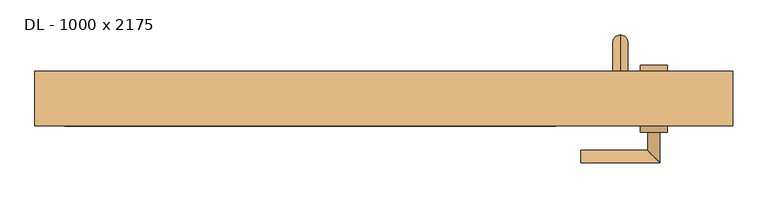
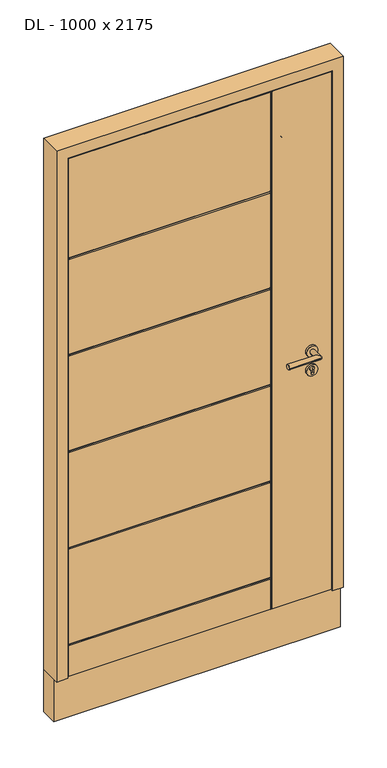
"""IFC4 building model written with IfcOpenShell, lengths in millimetres: door geometry, DL - 1000 x 2175."""

from ifc_helpers import new_model, si_unit, point, frame, frame_2d, origin, place, context, project, spatial, polyline, circle_curve, ellipse_curve, trimmed, segment, composite_curve, outline, extrude, faceted_brep, source, transform, mapped, element, save
from ifc_brep_helpers import plane_surface, cylinder_surface, revolved_surface, advanced_brep


def dl_1000_x_2175_ed54f483(model_context):
    return source(origin(), model_context, "Body", "SolidModel", [
        advanced_brep(
        [(390.0, 200.0, 1875.0), (390.0, 200.0, 1900.0), (390.0, 200.0, 225.0), (390.0, 200.0, 200.0), (390.0, 235.0, 225.0), (390.0, 260.0, 200.0), (390.0, 260.0, 1900.0), (390.0, 235.0, 1875.0)],
        [
            (0, 1, circle_curve(frame((390.0, 200.0, 1887.5), z_axis=(0.0, -1.0, 0.0), x_axis=(0.0, 0.0, 1.0)), 12.5)),
            (1, 0, circle_curve(frame((390.0, 200.0, 1887.5), z_axis=(0.0, -1.0, 0.0), x_axis=(0.0, 0.0, 1.0)), 12.5)),
            (2, 3, circle_curve(frame((390.0, 200.0, 212.5), z_axis=(0.0, -1.0, 0.0), x_axis=(0.0, 0.0, -1.0)), 12.5)),
            (3, 2, circle_curve(frame((390.0, 200.0, 212.5), z_axis=(0.0, -1.0, 0.0), x_axis=(0.0, 0.0, -1.0)), 12.5)),
            (4, 2),
            (3, 5),
            (5, 4, ellipse_curve(frame((390.0, 247.5, 212.5), z_axis=(0.0, -0.7071067811865475, -0.7071067811865475), x_axis=(0.0, 0.7071067811865476, -0.7071067811865474)), 17.6776695, 12.5)),
            (4, 5, ellipse_curve(frame((390.0, 247.5, 212.5), z_axis=(0.0, -0.7071067811865475, -0.7071067811865475), x_axis=(0.0, 0.7071067811865476, -0.7071067811865474)), 17.6776695, 12.5)),
            (6, 5),
            (4, 7),
            (7, 6, ellipse_curve(frame((390.0, 247.5, 1887.5), z_axis=(0.0, 0.7071067811865475, -0.7071067811865475), x_axis=(0.0, 0.7071067811865474, 0.7071067811865476)), 17.6776695, 12.5)),
            (6, 7, ellipse_curve(frame((390.0, 247.5, 1887.5), z_axis=(0.0, 0.7071067811865475, -0.7071067811865475), x_axis=(0.0, 0.7071067811865474, 0.7071067811865476)), 17.6776695, 12.5)),
            (1, 6),
            (7, 0),
        ],
        [
            plane_surface(frame((390.0, 200.0, 1900.0), z_axis=(0.0, -1.0, 0.0), x_axis=(-1.0, 0.0, 0.0))),
            plane_surface(frame((390.0, 200.0, 200.0), z_axis=(0.0, -1.0, 0.0), x_axis=(-1.0, 0.0, 0.0))),
            cylinder_surface(frame((390.0, 260.0, 212.5), z_axis=(0.0, 1.0, 0.0), x_axis=(0.0, 0.0, -1.0)), 12.5),
            cylinder_surface(frame((390.0, 247.5, 1900.0), z_axis=(0.0, 0.0, 1.0), x_axis=(0.0, 1.0, 0.0)), 12.5),
            cylinder_surface(frame((390.0, 200.0, 1887.5), z_axis=(0.0, -1.0, 0.0), x_axis=(0.0, 0.0, 1.0)), 12.5),
        ],
        [
            (0, [[1, 2]]),
            (1, [[3, 4]]),
            (2, [[5, -4, 6, 7]]),
            (2, [[-6, -3, -5, 8]]),
            (3, [[9, -8, 10, 11]]),
            (3, [[-10, -7, -9, 12]]),
            (4, [[13, -11, 14, -2]]),
            (4, [[-14, -12, -13, -1]]),
        ],
    ),
        advanced_brep(
        [(467.5, 200.0, 970.0), (422.5, 200.0, 970.0), (467.5, 210.0, 970.0), (422.5, 210.0, 970.0), (450.0, 210.0, 958.5), (450.0, 210.0, 971.1261365), (440.0, 210.0, 971.1261365), (440.0, 210.0, 958.5), (450.0, 202.0, 958.5), (450.0, 202.0, 971.1261365), (440.0, 202.0, 971.1261365), (440.0, 202.0, 958.5)],
        [
            (0, 1, circle_curve(frame((445.0, 200.0, 970.0), z_axis=(0.0, -1.0, 0.0), x_axis=(-1.0, 0.0, 0.0)), 22.5)),
            (1, 0, circle_curve(frame((445.0, 200.0, 970.0), z_axis=(0.0, -1.0, 0.0), x_axis=(-1.0, 0.0, 0.0)), 22.5)),
            (2, 3, circle_curve(frame((445.0, 210.0, 970.0), z_axis=(0.0, 1.0, 0.0), x_axis=(-1.0, 0.0, 0.0)), 22.5)),
            (3, 2, circle_curve(frame((445.0, 210.0, 970.0), z_axis=(0.0, 1.0, 0.0), x_axis=(-1.0, 0.0, 0.0)), 22.5)),
            (4, 5),
            (5, 6, circle_curve(frame((445.0, 210.0, 978.0), z_axis=(0.0, -1.0, 0.0), x_axis=(-1.0, 0.0, 0.0)), 8.5)),
            (6, 7),
            (7, 4, circle_curve(frame((445.0, 210.0, 958.5), z_axis=(0.0, -1.0, 0.0), x_axis=(-1.0, 0.0, 0.0)), 5.0)),
            (1, 3),
            (2, 0),
            (4, 8),
            (8, 9),
            (9, 5),
            (9, 10, circle_curve(frame((445.0, 202.0, 978.0), z_axis=(0.0, -1.0, 0.0), x_axis=(-1.0, 0.0, 0.0)), 8.5)),
            (10, 6),
            (10, 11),
            (11, 7),
            (11, 8, circle_curve(frame((445.0, 202.0, 958.5), z_axis=(0.0, -1.0, 0.0), x_axis=(-1.0, 0.0, 0.0)), 5.0)),
        ],
        [
            plane_surface(frame((422.5, 200.0, 970.0), z_axis=(0.0, -1.0, 0.0), x_axis=(0.0, 0.0, 1.0))),
            plane_surface(frame((422.5, 210.0, 970.0), z_axis=(0.0, 1.0, 0.0), x_axis=(0.0, 0.0, -1.0))),
            cylinder_surface(frame((445.0, 210.0, 970.0), z_axis=(0.0, -1.0, 0.0), x_axis=(-1.0, 0.0, 0.0)), 22.5),
            plane_surface(frame((450.0, 200.0, 958.5), z_axis=(-1.0, 0.0, 0.0), x_axis=(0.0, 1.0, 0.0))),
            revolved_surface(polyline([(436.5, 210.0, 978.0), (436.5, 202.0, 978.0)]), (445.0, 200.0, 978.0), (0.0, 1.0, 0.0)),
            plane_surface(frame((440.0, 200.0, 971.1261365), z_axis=(1.0, 0.0, 0.0), x_axis=(0.0, 1.0, 0.0))),
            revolved_surface(polyline([(440.0, 210.0, 958.5), (440.0, 202.0, 958.5)]), (445.0, 200.0, 958.5), (0.0, 1.0, 0.0)),
            plane_surface(frame((436.5, 202.0, 978.0), z_axis=(0.0, 1.0, 0.0), x_axis=(0.0, 0.0, -1.0))),
        ],
        [
            (0, [[1, 2]]),
            (1, [[3, 4], [5, 6, 7, 8]]),
            (2, [[9, -3, 10, -2]]),
            (2, [[-10, -4, -9, -1]]),
            (3, [[11, 12, 13, -5]]),
            (4, [[-13, 14, 15, -6]]),
            (5, [[-15, 16, 17, -7]]),
            (6, [[-17, 18, -11, -8]]),
            (7, [[-18, -16, -14, -12]]),
        ],
    ),
        advanced_brep(
        [(-526.0, 110.0, 8.0), (282.0, 110.0, 8.0), (282.0, 110.0, 136.0), (-526.0, 110.0, 136.0), (-526.0, 110.0, 144.0), (282.0, 110.0, 144.0), (282.0, 110.0, 545.2), (-526.0, 110.0, 545.2), (282.0, 110.0, 553.2), (282.0, 110.0, 954.4), (-526.0, 110.0, 954.4), (-526.0, 110.0, 553.2), (282.0, 110.0, 962.4), (282.0, 110.0, 1363.6), (-526.0, 110.0, 1363.6), (-526.0, 110.0, 962.4), (282.0, 110.0, 1371.6), (282.0, 110.0, 1772.8), (-526.0, 110.0, 1772.8), (-526.0, 110.0, 1371.6), (-526.0, 110.0, 2201.0), (-526.0, 110.0, 1780.8), (282.0, 110.0, 1780.8), (282.0, 110.0, 2201.0), (526.0, 110.0, 2201.0), (290.0, 110.0, 2201.0), (290.0, 110.0, 8.0), (526.0, 110.0, 8.0), (526.0, 130.0, 8.0), (526.0, 130.0, 2201.0), (-526.0, 130.0, 8.0), (-526.0, 130.0, 2201.0), (-511.0, 130.0, 2186.0), (-511.0, 130.0, 20.0), (511.0, 130.0, 20.0), (511.0, 130.0, 2186.0), (511.0, 180.0, 20.0), (511.0, 180.0, 2186.0), (-511.0, 180.0, 20.0), (-511.0, 180.0, 2186.0), (-496.0, 180.0, 2171.0), (-496.0, 180.0, 140.0), (496.0, 180.0, 140.0), (496.0, 180.0, 2171.0), (496.0, 200.0, 140.0), (496.0, 200.0, 2171.0), (-496.0, 200.0, 553.2), (-496.0, 200.0, 954.4), (282.0, 200.0, 954.4), (282.0, 200.0, 553.2), (-496.0, 200.0, 962.4), (-496.0, 200.0, 1363.6), (282.0, 200.0, 1363.6), (282.0, 200.0, 962.4), (-496.0, 200.0, 1371.6), (-496.0, 200.0, 1772.8), (282.0, 200.0, 1772.8), (282.0, 200.0, 1371.6), (290.0, 200.0, 140.0), (290.0, 200.0, 2171.0), (-496.0, 200.0, 545.2), (282.0, 200.0, 545.2), (282.0, 200.0, 140.0), (-496.0, 200.0, 140.0), (282.0, 200.0, 2171.0), (282.0, 200.0, 1780.8), (-496.0, 200.0, 1780.8), (-496.0, 200.0, 2171.0), (-496.0, 196.0, 1776.8), (-496.0, 196.0, 1367.6), (-496.0, 196.0, 958.4), (-496.0, 196.0, 549.2), (-526.0, 114.0, 140.0), (-526.0, 114.0, 549.2), (-526.0, 114.0, 958.4), (-526.0, 114.0, 1367.6), (-526.0, 114.0, 1776.8), (286.0, 114.0, 2201.0), (286.0, 196.0, 2171.0), (286.0, 114.0, 8.0), (286.0, 196.0, 140.0), (286.0, 196.0, 549.2), (286.0, 114.0, 549.2), (286.0, 114.0, 140.0), (286.0, 196.0, 958.4), (286.0, 196.0, 1367.6), (286.0, 196.0, 1776.8), (286.0, 114.0, 1776.8), (286.0, 114.0, 1367.6), (286.0, 114.0, 958.4)],
        [
            (0, 1),
            (1, 2),
            (2, 3),
            (3, 0),
            (4, 5),
            (5, 6),
            (6, 7),
            (7, 4),
            (8, 9),
            (9, 10),
            (10, 11),
            (11, 8),
            (12, 13),
            (13, 14),
            (14, 15),
            (15, 12),
            (16, 17),
            (17, 18),
            (18, 19),
            (19, 16),
            (20, 21),
            (21, 22),
            (22, 23),
            (23, 20),
            (24, 25),
            (25, 26),
            (26, 27),
            (27, 24),
            (27, 28),
            (28, 29),
            (29, 24),
            (28, 30),
            (30, 31),
            (31, 29),
            (32, 33),
            (33, 34),
            (34, 35),
            (35, 32),
            (34, 36),
            (36, 37),
            (37, 35),
            (36, 38),
            (38, 39),
            (39, 37),
            (40, 41),
            (41, 42),
            (42, 43),
            (43, 40),
            (42, 44),
            (44, 45),
            (45, 43),
            (46, 47),
            (47, 48),
            (48, 49),
            (49, 46),
            (50, 51),
            (51, 52),
            (52, 53),
            (53, 50),
            (54, 55),
            (55, 56),
            (56, 57),
            (57, 54),
            (44, 58),
            (58, 59),
            (59, 45),
            (60, 61),
            (61, 62),
            (62, 63),
            (63, 60),
            (64, 65),
            (65, 66),
            (66, 67),
            (67, 64),
            (66, 68, circle_curve(frame((-496.0, 196.0, 1780.8), z_axis=(-1.0, 0.0, 0.0), x_axis=(0.0, 1.0, 0.0)), 4.0)),
            (68, 55, circle_curve(frame((-496.0, 196.0, 1772.8), z_axis=(-1.0, 0.0, 0.0), x_axis=(0.0, 1.0, 0.0)), 4.0)),
            (54, 69, circle_curve(frame((-496.0, 196.0, 1371.6), z_axis=(-1.0, 0.0, 0.0), x_axis=(0.0, 1.0, 0.0)), 4.0)),
            (69, 51, circle_curve(frame((-496.0, 196.0, 1363.6), z_axis=(-1.0, 0.0, 0.0), x_axis=(0.0, 1.0, 0.0)), 4.0)),
            (50, 70, circle_curve(frame((-496.0, 196.0, 962.4), z_axis=(-1.0, 0.0, 0.0), x_axis=(0.0, 1.0, 0.0)), 4.0)),
            (70, 47, circle_curve(frame((-496.0, 196.0, 954.4), z_axis=(-1.0, 0.0, 0.0), x_axis=(0.0, 1.0, 0.0)), 4.0)),
            (46, 71, circle_curve(frame((-496.0, 196.0, 553.2), z_axis=(-1.0, 0.0, 0.0), x_axis=(0.0, 1.0, 0.0)), 4.0)),
            (71, 60, circle_curve(frame((-496.0, 196.0, 545.2), z_axis=(-1.0, 0.0, 0.0), x_axis=(0.0, 1.0, 0.0)), 4.0)),
            (63, 41),
            (40, 67),
            (38, 33),
            (32, 39),
            (30, 0),
            (3, 72, circle_curve(frame((-526.0, 114.0, 136.0), z_axis=(-1.0, 0.0, 0.0), x_axis=(0.0, -1.0, 0.0)), 4.0)),
            (72, 4, circle_curve(frame((-526.0, 114.0, 144.0), z_axis=(-1.0, 0.0, 0.0), x_axis=(0.0, -1.0, 0.0)), 4.0)),
            (7, 73, circle_curve(frame((-526.0, 114.0, 545.2), z_axis=(-1.0, 0.0, 0.0), x_axis=(0.0, -1.0, 0.0)), 4.0)),
            (73, 11, circle_curve(frame((-526.0, 114.0, 553.2), z_axis=(-1.0, 0.0, 0.0), x_axis=(0.0, -1.0, 0.0)), 4.0)),
            (10, 74, circle_curve(frame((-526.0, 114.0, 954.4), z_axis=(-1.0, 0.0, 0.0), x_axis=(0.0, -1.0, 0.0)), 4.0)),
            (74, 15, circle_curve(frame((-526.0, 114.0, 962.4), z_axis=(-1.0, 0.0, 0.0), x_axis=(0.0, -1.0, 0.0)), 4.0)),
            (14, 75, circle_curve(frame((-526.0, 114.0, 1363.6), z_axis=(-1.0, 0.0, 0.0), x_axis=(0.0, -1.0, 0.0)), 4.0)),
            (75, 19, circle_curve(frame((-526.0, 114.0, 1371.6), z_axis=(-1.0, 0.0, 0.0), x_axis=(0.0, -1.0, 0.0)), 4.0)),
            (18, 76, circle_curve(frame((-526.0, 114.0, 1772.8), z_axis=(-1.0, 0.0, 0.0), x_axis=(0.0, -1.0, 0.0)), 4.0)),
            (76, 21, circle_curve(frame((-526.0, 114.0, 1780.8), z_axis=(-1.0, 0.0, 0.0), x_axis=(0.0, -1.0, 0.0)), 4.0)),
            (20, 31),
            (23, 77, circle_curve(frame((282.0, 114.0, 2201.0), z_axis=(0.0, 0.0, 1.0), x_axis=(0.0, -1.0, 0.0)), 4.0)),
            (77, 25, circle_curve(frame((290.0, 114.0, 2201.0), z_axis=(0.0, 0.0, 1.0), x_axis=(0.0, -1.0, 0.0)), 4.0)),
            (59, 78, circle_curve(frame((290.0, 196.0, 2171.0), z_axis=(0.0, 0.0, 1.0), x_axis=(0.0, 1.0, 0.0)), 4.0)),
            (78, 64, circle_curve(frame((282.0, 196.0, 2171.0), z_axis=(0.0, 0.0, 1.0), x_axis=(0.0, 1.0, 0.0)), 4.0)),
            (26, 79, circle_curve(frame((290.0, 114.0, 8.0), z_axis=(0.0, 0.0, -1.0), x_axis=(0.0, -1.0, 0.0)), 4.0)),
            (79, 1, circle_curve(frame((282.0, 114.0, 8.0), z_axis=(0.0, 0.0, -1.0), x_axis=(0.0, -1.0, 0.0)), 4.0)),
            (62, 80, circle_curve(frame((282.0, 196.0, 140.0), z_axis=(0.0, 0.0, -1.0), x_axis=(0.0, 1.0, 0.0)), 4.0)),
            (80, 58, circle_curve(frame((290.0, 196.0, 140.0), z_axis=(0.0, 0.0, -1.0), x_axis=(0.0, 1.0, 0.0)), 4.0)),
            (81, 61, ellipse_curve(frame((282.0, 196.0, 545.2), z_axis=(-0.7071067811865475, 0.0, 0.7071067811865476), x_axis=(-0.7071067811865476, 0.0, -0.7071067811865475)), 5.6568542, 4.0)),
            (71, 81),
            (49, 81, ellipse_curve(frame((282.0, 196.0, 553.2), z_axis=(-0.7071067811865475, 0.0, -0.7071067811865475), x_axis=(-0.7071067811865476, 0.0, 0.7071067811865474)), 5.6568542, 4.0)),
            (6, 82, ellipse_curve(frame((282.0, 114.0, 545.2), z_axis=(-0.7071067811865475, 0.0, 0.7071067811865475), x_axis=(0.7071067811865476, 0.0, 0.7071067811865474)), 5.6568542, 4.0)),
            (82, 73),
            (82, 8, ellipse_curve(frame((282.0, 114.0, 553.2), z_axis=(-0.7071067811865475, 0.0, -0.7071067811865476), x_axis=(0.7071067811865476, 0.0, -0.7071067811865475)), 5.6568542, 4.0)),
            (2, 83, ellipse_curve(frame((282.0, 114.0, 136.0), z_axis=(-0.7071067811865475, 0.0, 0.7071067811865475), x_axis=(-0.7071067811865476, 0.0, -0.7071067811865474)), 5.6568542, 4.0)),
            (83, 72),
            (83, 5, ellipse_curve(frame((282.0, 114.0, 144.0), z_axis=(-0.7071067811865475, 0.0, -0.7071067811865476), x_axis=(-0.7071067811865476, 0.0, 0.7071067811865475)), 5.6568542, 4.0)),
            (81, 84),
            (84, 85),
            (85, 86),
            (86, 78),
            (80, 81),
            (48, 84, ellipse_curve(frame((282.0, 196.0, 954.4), z_axis=(0.7071067811865475, 0.0, -0.7071067811865476), x_axis=(0.7071067811865476, 0.0, 0.7071067811865474)), 5.6568542, 4.0)),
            (52, 85, ellipse_curve(frame((282.0, 196.0, 1363.6), z_axis=(0.7071067811865475, 0.0, -0.7071067811865476), x_axis=(0.7071067811865476, 0.0, 0.7071067811865474)), 5.6568542, 4.0)),
            (84, 53, ellipse_curve(frame((282.0, 196.0, 962.4), z_axis=(0.7071067811865475, 0.0, 0.7071067811865475), x_axis=(-0.7071067811865474, 0.0, 0.7071067811865477)), 5.6568542, 4.0)),
            (56, 86, ellipse_curve(frame((282.0, 196.0, 1772.8), z_axis=(0.7071067811865475, 0.0, -0.7071067811865476), x_axis=(0.7071067811865476, 0.0, 0.7071067811865474)), 5.6568542, 4.0)),
            (85, 57, ellipse_curve(frame((282.0, 196.0, 1371.6), z_axis=(0.7071067811865475, 0.0, 0.7071067811865475), x_axis=(-0.7071067811865474, 0.0, 0.7071067811865477)), 5.6568542, 4.0)),
            (86, 65, ellipse_curve(frame((282.0, 196.0, 1780.8), z_axis=(0.7071067811865475, 0.0, 0.7071067811865475), x_axis=(-0.7071067811865474, 0.0, 0.7071067811865477)), 5.6568542, 4.0)),
            (70, 84),
            (83, 79),
            (77, 87),
            (87, 88),
            (88, 89),
            (89, 82),
            (82, 83),
            (22, 87, ellipse_curve(frame((282.0, 114.0, 1780.8), z_axis=(0.7071067811865475, 0.0, 0.7071067811865476), x_axis=(0.7071067811865476, 0.0, -0.7071067811865474)), 5.6568542, 4.0)),
            (87, 17, ellipse_curve(frame((282.0, 114.0, 1772.8), z_axis=(0.7071067811865475, 0.0, -0.7071067811865475), x_axis=(-0.7071067811865474, 0.0, -0.7071067811865477)), 5.6568542, 4.0)),
            (16, 88, ellipse_curve(frame((282.0, 114.0, 1371.6), z_axis=(0.7071067811865475, 0.0, 0.7071067811865476), x_axis=(0.7071067811865476, 0.0, -0.7071067811865474)), 5.6568542, 4.0)),
            (88, 13, ellipse_curve(frame((282.0, 114.0, 1363.6), z_axis=(0.7071067811865475, 0.0, -0.7071067811865475), x_axis=(-0.7071067811865474, 0.0, -0.7071067811865477)), 5.6568542, 4.0)),
            (12, 89, ellipse_curve(frame((282.0, 114.0, 962.4), z_axis=(0.7071067811865475, 0.0, 0.7071067811865476), x_axis=(0.7071067811865476, 0.0, -0.7071067811865474)), 5.6568542, 4.0)),
            (89, 9, ellipse_curve(frame((282.0, 114.0, 954.4), z_axis=(0.7071067811865475, 0.0, -0.7071067811865475), x_axis=(-0.7071067811865474, 0.0, -0.7071067811865477)), 5.6568542, 4.0)),
            (89, 74),
            (88, 75),
            (69, 85),
            (87, 76),
            (68, 86),
        ],
        [
            plane_surface(frame((526.0, 110.0, 2201.0), z_axis=(0.0, -1.0, 0.0), x_axis=(0.0, 0.0, -1.0))),
            plane_surface(frame((526.0, 200.0, 2201.0), z_axis=(1.0, 0.0, 0.0), x_axis=(0.0, 0.0, -1.0))),
            plane_surface(frame((511.0, 130.0, 0.0), z_axis=(0.0, 1.0, 0.0), x_axis=(0.0, 0.0, 1.0))),
            plane_surface(frame((511.0, 180.0, 0.0), z_axis=(1.0, 0.0, 0.0), x_axis=(0.0, 0.0, 1.0))),
            plane_surface(frame((496.0, 180.0, 0.0), z_axis=(0.0, 1.0, 0.0), x_axis=(0.0, 0.0, 1.0))),
            plane_surface(frame((496.0, 200.0, 0.0), z_axis=(1.0, 0.0, 0.0), x_axis=(0.0, 0.0, 1.0))),
            plane_surface(frame((-526.0, 200.0, 2201.0), z_axis=(0.0, 1.0, 0.0), x_axis=(0.0, 0.0, -1.0))),
            plane_surface(frame((-496.0, 200.0, 2171.0), z_axis=(-1.0, 0.0, 0.0), x_axis=(0.0, 0.0, -1.0))),
            plane_surface(frame((-511.0, 180.0, 2186.0), z_axis=(-1.0, 0.0, 0.0), x_axis=(0.0, 0.0, -1.0))),
            plane_surface(frame((-526.0, 110.0, 2201.0), z_axis=(-1.0, 0.0, 0.0), x_axis=(0.0, 0.0, -1.0))),
            plane_surface(frame((526.0, 200.0, 2201.0), z_axis=(0.0, 0.0, 1.0), x_axis=(1.0, 0.0, 0.0))),
            plane_surface(frame((496.0, 200.0, 2171.0), z_axis=(0.0, 0.0, 1.0), x_axis=(-1.0, 0.0, 0.0))),
            plane_surface(frame((511.0, 180.0, 2186.0), z_axis=(0.0, 0.0, 1.0), x_axis=(-1.0, 0.0, 0.0))),
            plane_surface(frame((-526.0, 200.0, 20.0), z_axis=(0.0, 0.0, -1.0), x_axis=(1.0, 0.0, 0.0))),
            plane_surface(frame((-526.0, 130.0, 8.0), z_axis=(0.0, 0.0, -1.0), x_axis=(1.0, 0.0, 0.0))),
            plane_surface(frame((-526.0, 200.0, 140.0), z_axis=(0.0, 0.0, -1.0), x_axis=(1.0, 0.0, 0.0))),
            cylinder_surface(frame((286.0, 196.0, 545.2), z_axis=(-1.0, 0.0, 0.0), x_axis=(0.0, 1.0, 0.0)), 4.0),
            cylinder_surface(frame((286.0, 196.0, 553.2), z_axis=(-1.0, 0.0, 0.0), x_axis=(0.0, 1.0, 0.0)), 4.0),
            cylinder_surface(frame((-566.0, 114.0, 545.2), z_axis=(1.0, 0.0, 0.0), x_axis=(0.0, -1.0, 0.0)), 4.0),
            cylinder_surface(frame((-566.0, 114.0, 553.2), z_axis=(1.0, 0.0, 0.0), x_axis=(0.0, -1.0, 0.0)), 4.0),
            cylinder_surface(frame((286.0, 114.0, 136.0), z_axis=(-1.0, 0.0, 0.0), x_axis=(0.0, -1.0, 0.0)), 4.0),
            cylinder_surface(frame((286.0, 114.0, 144.0), z_axis=(-1.0, 0.0, 0.0), x_axis=(0.0, -1.0, 0.0)), 4.0),
            cylinder_surface(frame((290.0, 196.0, -10.0), z_axis=(0.0, 0.0, 1.0), x_axis=(0.0, 1.0, 0.0)), 4.0),
            cylinder_surface(frame((282.0, 196.0, -10.0), z_axis=(0.0, 0.0, 1.0), x_axis=(0.0, 1.0, 0.0)), 4.0),
            cylinder_surface(frame((286.0, 196.0, 954.4), z_axis=(-1.0, 0.0, 0.0), x_axis=(0.0, 1.0, 0.0)), 4.0),
            cylinder_surface(frame((286.0, 196.0, 962.4), z_axis=(-1.0, 0.0, 0.0), x_axis=(0.0, 1.0, 0.0)), 4.0),
            cylinder_surface(frame((290.0, 114.0, 2211.0), z_axis=(0.0, 0.0, -1.0), x_axis=(0.0, -1.0, 0.0)), 4.0),
            cylinder_surface(frame((282.0, 114.0, 2211.0), z_axis=(0.0, 0.0, -1.0), x_axis=(0.0, -1.0, 0.0)), 4.0),
            cylinder_surface(frame((-566.0, 114.0, 954.4), z_axis=(1.0, 0.0, 0.0), x_axis=(0.0, -1.0, 0.0)), 4.0),
            cylinder_surface(frame((-566.0, 114.0, 962.4), z_axis=(1.0, 0.0, 0.0), x_axis=(0.0, -1.0, 0.0)), 4.0),
            cylinder_surface(frame((-566.0, 114.0, 1363.6), z_axis=(1.0, 0.0, 0.0), x_axis=(0.0, -1.0, 0.0)), 4.0),
            cylinder_surface(frame((-566.0, 114.0, 1371.6), z_axis=(1.0, 0.0, 0.0), x_axis=(0.0, -1.0, 0.0)), 4.0),
            cylinder_surface(frame((286.0, 196.0, 1363.6), z_axis=(-1.0, 0.0, 0.0), x_axis=(0.0, 1.0, 0.0)), 4.0),
            cylinder_surface(frame((286.0, 196.0, 1371.6), z_axis=(-1.0, 0.0, 0.0), x_axis=(0.0, 1.0, 0.0)), 4.0),
            cylinder_surface(frame((-566.0, 114.0, 1772.8), z_axis=(1.0, 0.0, 0.0), x_axis=(0.0, -1.0, 0.0)), 4.0),
            cylinder_surface(frame((-566.0, 114.0, 1780.8), z_axis=(1.0, 0.0, 0.0), x_axis=(0.0, -1.0, 0.0)), 4.0),
            cylinder_surface(frame((286.0, 196.0, 1772.8), z_axis=(-1.0, 0.0, 0.0), x_axis=(0.0, 1.0, 0.0)), 4.0),
            cylinder_surface(frame((286.0, 196.0, 1780.8), z_axis=(-1.0, 0.0, 0.0), x_axis=(0.0, 1.0, 0.0)), 4.0),
        ],
        [
            (0, [[1, 2, 3, 4]]),
            (0, [[5, 6, 7, 8]]),
            (0, [[9, 10, 11, 12]]),
            (0, [[13, 14, 15, 16]]),
            (0, [[17, 18, 19, 20]]),
            (0, [[21, 22, 23, 24]]),
            (0, [[25, 26, 27, 28]]),
            (1, [[-28, 29, 30, 31]]),
            (2, [[-30, 32, 33, 34], [35, 36, 37, 38]]),
            (3, [[-37, 39, 40, 41]]),
            (4, [[-40, 42, 43, 44], [45, 46, 47, 48]]),
            (5, [[-47, 49, 50, 51]]),
            (6, [[52, 53, 54, 55]]),
            (6, [[56, 57, 58, 59]]),
            (6, [[60, 61, 62, 63]]),
            (6, [[64, 65, 66, -50]]),
            (6, [[67, 68, 69, 70]]),
            (6, [[71, 72, 73, 74]]),
            (7, [[-73, 75, 76, -60, 77, 78, -56, 79, 80, -52, 81, 82, -70, 83, -45, 84]]),
            (8, [[-43, 85, -35, 86]]),
            (9, [[-33, 87, -4, 88, 89, -8, 90, 91, -11, 92, 93, -15, 94, 95, -19, 96, 97, -21, 98]]),
            (10, [[-34, -98, -24, 99, 100, -25, -31]]),
            (11, [[-66, 101, 102, -74, -84, -48, -51]]),
            (12, [[-86, -38, -41, -44]]),
            (13, [[-85, -42, -39, -36]]),
            (14, [[-27, 103, 104, -1, -87, -32, -29]]),
            (15, [[-83, -69, 105, 106, -64, -49, -46]]),
            (16, [[107, -67, -82, 108]]),
            (17, [[-81, -55, 109, -108]]),
            (18, [[-90, -7, 110, 111]]),
            (19, [[112, -12, -91, -111]]),
            (20, [[-88, -3, 113, 114]]),
            (21, [[115, -5, -89, -114]]),
            (22, [[116, 117, 118, 119, -101, -65, -106, 120]]),
            (23, [[-54, 121, -116, -109]]),
            (23, [[-58, 122, -117, 123]]),
            (23, [[-62, 124, -118, 125]]),
            (23, [[-105, -68, -107, -120]]),
            (23, [[-119, 126, -71, -102]]),
            (24, [[-121, -53, -80, 127]]),
            (25, [[-79, -59, -123, -127]]),
            (26, [[128, -103, -26, -100, 129, 130, 131, 132, 133]]),
            (27, [[-23, 134, -129, -99]]),
            (27, [[-110, -6, -115, -133]]),
            (27, [[-113, -2, -104, -128]]),
            (27, [[-130, 135, -17, 136]]),
            (27, [[-131, 137, -13, 138]]),
            (27, [[-132, 139, -9, -112]]),
            (28, [[-92, -10, -139, 140]]),
            (29, [[-138, -16, -93, -140]]),
            (30, [[-94, -14, -137, 141]]),
            (31, [[-136, -20, -95, -141]]),
            (32, [[-122, -57, -78, 142]]),
            (33, [[-77, -63, -125, -142]]),
            (34, [[-96, -18, -135, 143]]),
            (35, [[-134, -22, -97, -143]]),
            (36, [[-124, -61, -76, 144]]),
            (37, [[-75, -72, -126, -144]]),
        ],
    ),
        extrude(outline(polyline([(180.0, 140.0), (196.0, 140.0), (196.0, 136.0), (200.0, 136.0), (200.0, 20.0), (195.9609036, 20.0), (195.9609036, 24.0), (191.9609036, 24.0), (191.9609036, 20.0), (180.0, 20.0), (180.0, 140.0)])), frame((-496.0, 0.0, 0.0), z_axis=(1.0, 0.0, 0.0), x_axis=(0.0, 1.0, 0.0)), (0.0, 0.0, 1.0), 992.0),
        faceted_brep([(496.0, 180.0, 0.0), (496.0, 200.0, 0.0), (496.0, 200.0, 7.0), (496.0, 180.0, 9.0), (-496.0, 180.0, 0.0), (-511.0, 180.0, 0.0), (-511.0, 180.0, 9.0), (-496.0, 180.0, 9.0), (511.0, 180.0, 9.0), (511.0, 180.0, 0.0), (511.0, 150.0, 12.0), (511.0, 150.0, 15.0), (511.0, 130.0, 15.0), (511.0, 130.0, 0.0), (-496.0, 200.0, 7.0), (-496.0, 200.0, 0.0), (-511.0, 130.0, 0.0), (-511.0, 130.0, 15.0), (-511.0, 150.0, 15.0), (-511.0, 150.0, 12.0)], [[[0, 1, 2, 3]], [[4, 5, 6, 7]], [[3, 8, 9, 0]], [[8, 10, 11, 12, 13, 9]], [[7, 14, 15, 4]], [[5, 16, 17, 18, 19, 6]], [[17, 16, 13, 12]], [[16, 5, 4, 15, 1, 0, 9, 13]], [[15, 14, 2, 1]], [[12, 11, 18, 17]], [[14, 7, 6, 19, 10, 8, 3, 2]], [[11, 10, 19, 18]]]),
        advanced_brep(
        [(467.5, 110.0, 970.0), (422.5, 110.0, 970.0), (467.5, 100.0, 970.0), (422.5, 100.0, 970.0), (450.0, 100.0, 958.5), (440.0, 100.0, 958.5), (440.0, 100.0, 971.1261365), (450.0, 100.0, 971.1261365), (450.0, 108.0, 971.1261365), (450.0, 108.0, 958.5), (440.0, 108.0, 971.1261365), (440.0, 108.0, 958.5)],
        [
            (0, 1, circle_curve(frame((445.0, 110.0, 970.0), z_axis=(0.0, 1.0, 0.0), x_axis=(-1.0, 0.0, 0.0)), 22.5)),
            (1, 0, circle_curve(frame((445.0, 110.0, 970.0), z_axis=(0.0, 1.0, 0.0), x_axis=(-1.0, 0.0, 0.0)), 22.5)),
            (2, 3, circle_curve(frame((445.0, 100.0, 970.0), z_axis=(0.0, -1.0, 0.0), x_axis=(-1.0, 0.0, 0.0)), 22.5)),
            (3, 2, circle_curve(frame((445.0, 100.0, 970.0), z_axis=(0.0, -1.0, 0.0), x_axis=(-1.0, 0.0, 0.0)), 22.5)),
            (4, 5, circle_curve(frame((445.0, 100.0, 958.5), z_axis=(0.0, 1.0, 0.0), x_axis=(-1.0, 0.0, 0.0)), 5.0)),
            (5, 6),
            (6, 7, circle_curve(frame((445.0, 100.0, 978.0), z_axis=(0.0, 1.0, 0.0), x_axis=(-1.0, 0.0, 0.0)), 8.5)),
            (7, 4),
            (0, 2),
            (3, 1),
            (7, 8),
            (8, 9),
            (9, 4),
            (6, 10),
            (10, 8, circle_curve(frame((445.0, 108.0, 978.0), z_axis=(0.0, 1.0, 0.0), x_axis=(-1.0, 0.0, 0.0)), 8.5)),
            (5, 11),
            (11, 10),
            (9, 11, circle_curve(frame((445.0, 108.0, 958.5), z_axis=(0.0, 1.0, 0.0), x_axis=(-1.0, 0.0, 0.0)), 5.0)),
        ],
        [
            plane_surface(frame((422.5, 110.0, 970.0), z_axis=(0.0, 1.0, 0.0), x_axis=(0.0, 0.0, 1.0))),
            plane_surface(frame((422.5, 100.0, 970.0), z_axis=(0.0, -1.0, 0.0), x_axis=(0.0, 0.0, -1.0))),
            cylinder_surface(frame((445.0, 100.0, 970.0), z_axis=(0.0, 1.0, 0.0), x_axis=(-1.0, 0.0, 0.0)), 22.5),
            plane_surface(frame((450.0, 110.0, 958.5), z_axis=(-1.0, 0.0, 0.0), x_axis=(0.0, -1.0, 0.0))),
            revolved_surface(polyline([(436.5, 100.0, 978.0), (436.5, 108.0, 978.0)]), (445.0, 110.0, 978.0), (0.0, -1.0, 0.0)),
            plane_surface(frame((440.0, 110.0, 971.1261365), z_axis=(1.0, 0.0, 0.0), x_axis=(0.0, -1.0, 0.0))),
            revolved_surface(polyline([(440.0, 100.0, 958.5), (440.0, 108.0, 958.5)]), (445.0, 110.0, 958.5), (0.0, -1.0, 0.0)),
            plane_surface(frame((450.0, 108.0, 958.5), z_axis=(0.0, -1.0, 0.0), x_axis=(0.0, 0.0, 1.0))),
        ],
        [
            (0, [[1, 2]]),
            (1, [[3, 4], [5, 6, 7, 8]]),
            (2, [[-1, 9, -4, 10]]),
            (2, [[-2, -10, -3, -9]]),
            (3, [[-8, 11, 12, 13]]),
            (4, [[-7, 14, 15, -11]]),
            (5, [[-6, 16, 17, -14]]),
            (6, [[-5, -13, 18, -16]]),
            (7, [[-12, -15, -17, -18]]),
        ],
    ),
        advanced_brep(
        [(435.0, 100.0, 1050.0), (455.0, 100.0, 1050.0), (435.0, 70.0, 1050.0), (455.0, 50.0, 1050.0), (325.0, 70.0, 1050.0), (325.0, 50.0, 1050.0)],
        [
            (0, 1, circle_curve(frame((445.0, 100.0, 1050.0), z_axis=(0.0, 1.0, 0.0), x_axis=(1.0, 0.0, 0.0)), 10.0)),
            (1, 0, circle_curve(frame((445.0, 100.0, 1050.0), z_axis=(0.0, 1.0, 0.0), x_axis=(1.0, 0.0, 0.0)), 10.0)),
            (0, 2),
            (2, 3, ellipse_curve(frame((445.0, 60.0, 1050.0), z_axis=(0.7071067811865486, 0.7071067811865464, 0.0), x_axis=(-0.7071067811865464, 0.7071067811865488, 0.0)), 14.1421356, 10.0)),
            (3, 1),
            (3, 2, ellipse_curve(frame((445.0, 60.0, 1050.0), z_axis=(0.7071067811865486, 0.7071067811865464, 0.0), x_axis=(-0.7071067811865464, 0.7071067811865488, 0.0)), 14.1421356, 10.0)),
            (4, 5, circle_curve(frame((325.0, 60.0, 1050.0), z_axis=(-1.0, 0.0, 0.0), x_axis=(0.0, -1.0, 0.0)), 10.0)),
            (5, 4, circle_curve(frame((325.0, 60.0, 1050.0), z_axis=(-1.0, 0.0, 0.0), x_axis=(0.0, -1.0, 0.0)), 10.0)),
            (2, 4),
            (5, 3),
        ],
        [
            plane_surface(frame((445.0, 100.0, 1050.0), z_axis=(0.0, 1.0, 0.0), x_axis=(0.0, 0.0, 1.0))),
            cylinder_surface(frame((445.0, 100.0, 1050.0), z_axis=(0.0, 1.0, 0.0), x_axis=(1.0, 0.0, 0.0)), 10.0),
            plane_surface(frame((325.0, 60.0, 1050.0), z_axis=(-1.0, 0.0, 0.0), x_axis=(0.0, 0.0, 1.0))),
            cylinder_surface(frame((445.0, 60.0, 1050.0), z_axis=(1.0, 0.0, 0.0), x_axis=(0.0, -1.0, 0.0)), 10.0),
        ],
        [
            (0, [[1, 2]]),
            (1, [[-1, 3, 4, 5]]),
            (1, [[-2, -5, 6, -3]]),
            (2, [[7, 8]]),
            (3, [[-4, 9, -8, 10]]),
            (3, [[-6, -10, -7, -9]]),
        ],
    ),
        advanced_brep(
        [(435.0, 100.0, 1050.0), (455.0, 100.0, 1050.0), (435.0, 70.0, 1050.0), (455.0, 50.0, 1050.0), (325.0, 70.0, 1050.0), (325.0, 50.0, 1050.0)],
        [
            (0, 1, circle_curve(frame((445.0, 100.0, 1050.0), z_axis=(0.0, 1.0, 0.0), x_axis=(1.0, 0.0, 0.0)), 10.0)),
            (1, 0, circle_curve(frame((445.0, 100.0, 1050.0), z_axis=(0.0, 1.0, 0.0), x_axis=(1.0, 0.0, 0.0)), 10.0)),
            (0, 2),
            (2, 3, ellipse_curve(frame((445.0, 60.0, 1050.0), z_axis=(0.7071067811865491, 0.7071067811865459, 0.0), x_axis=(-0.7071067811865458, 0.7071067811865492, 0.0)), 14.1421356, 10.0)),
            (3, 1),
            (3, 2, ellipse_curve(frame((445.0, 60.0, 1050.0), z_axis=(0.7071067811865491, 0.7071067811865459, 0.0), x_axis=(-0.7071067811865458, 0.7071067811865492, 0.0)), 14.1421356, 10.0)),
            (4, 5, circle_curve(frame((325.0, 60.0, 1050.0), z_axis=(-1.0, 0.0, 0.0), x_axis=(0.0, -1.0, 0.0)), 10.0)),
            (5, 4, circle_curve(frame((325.0, 60.0, 1050.0), z_axis=(-1.0, 0.0, 0.0), x_axis=(0.0, -1.0, 0.0)), 10.0)),
            (2, 4),
            (5, 3),
        ],
        [
            plane_surface(frame((445.0, 100.0, 1050.0), z_axis=(0.0, 1.0, 0.0), x_axis=(0.0, 0.0, 1.0))),
            cylinder_surface(frame((445.0, 100.0, 1050.0), z_axis=(0.0, 1.0, 0.0), x_axis=(1.0, 0.0, 0.0)), 10.0),
            plane_surface(frame((325.0, 60.0, 1050.0), z_axis=(-1.0, 0.0, 0.0), x_axis=(0.0, 0.0, 1.0))),
            cylinder_surface(frame((445.0, 60.0, 1050.0), z_axis=(1.0, 0.0, 0.0), x_axis=(0.0, -1.0, 0.0)), 10.0),
        ],
        [
            (0, [[1, 2]]),
            (1, [[-1, 3, 4, 5]]),
            (1, [[-2, -5, 6, -3]]),
            (2, [[7, 8]]),
            (3, [[-4, 9, -8, 10]]),
            (3, [[-6, -10, -7, -9]]),
        ],
    ),
        extrude(outline(composite_curve([segment(trimmed(circle_curve(frame_2d((1050.0, 445.0)), 22.5), [point((1050.0, 467.5))], [point((1050.0, 422.5))], False, "CARTESIAN"), True, "CONTINUOUS"), segment(trimmed(circle_curve(frame_2d((1050.0, 445.0)), 22.5), [point((1050.0, 422.5))], [point((1050.0, 467.5))], False, "CARTESIAN"), True, "CONTINUOUS")], self_intersect=False)), frame((0.0, 100.0, 0.0), z_axis=(0.0, 1.0, 0.0), x_axis=(0.0, 0.0, 1.0)), (0.0, 0.0, 1.0), 10.0),
        faceted_brep([(-575.0, 110.0, 2250.0), (-575.0, 110.0, 0.0), (-530.0, 110.0, 0.0), (-530.0, 110.0, 2205.0), (530.0, 110.0, 2205.0), (530.0, 110.0, 0.0), (575.0, 110.0, 0.0), (575.0, 110.0, 2250.0), (-575.0, 200.0, 2250.0), (-575.0, 200.0, 0.0), (-500.0, 200.0, 0.0), (-500.0, 180.0, 0.0), (-515.0, 180.0, 0.0), (-515.0, 130.0, 0.0), (-530.0, 130.0, 0.0), (-530.0, 130.0, 2205.0), (530.0, 130.0, 2205.0), (530.0, 130.0, 0.0), (500.0, 200.0, 0.0), (575.0, 200.0, 0.0), (515.0, 130.0, 0.0), (515.0, 180.0, 0.0), (500.0, 180.0, 0.0), (575.0, 200.0, 2250.0), (500.0, 200.0, 2175.0), (-500.0, 200.0, 2175.0), (500.0, 180.0, 2175.0), (-500.0, 180.0, 2175.0), (-515.0, 130.0, 2190.0), (515.0, 130.0, 2190.0), (515.0, 180.0, 2190.0), (-515.0, 180.0, 2190.0)], [[[0, 1, 2, 3, 4, 5, 6, 7]], [[1, 0, 8, 9]], [[9, 10, 11, 12, 13, 14, 2, 1]], [[14, 15, 3, 2]], [[16, 17, 5, 4]], [[18, 19, 6, 5, 17, 20, 21, 22]], [[7, 6, 19, 23]], [[8, 23, 19, 18, 24, 25, 10, 9]], [[24, 18, 22, 26]], [[10, 25, 27, 11]], [[15, 14, 13, 28, 29, 20, 17, 16]], [[20, 29, 30, 21]], [[31, 12, 11, 27, 26, 22, 21, 30]], [[28, 13, 12, 31]], [[0, 7, 23, 8]], [[25, 24, 26, 27]], [[3, 15, 16, 4]], [[29, 28, 31, 30]]]),
        extrude(outline(polyline([(575.0, 200.0), (575.0, 130.0), (-575.0, 130.0), (-575.0, 200.0), (575.0, 200.0)])), frame((0.0, 0.0, -180.0), z_axis=(0.0, 0.0, 1.0), x_axis=(1.0, 0.0, 0.0)), (0.0, 0.0, 1.0), 180.0),
    ])


if __name__ == "__main__":
    model = new_model("IFC4")
    model_context = context("Model", 3, world=origin())
    ifc_project = project(units=[si_unit("LENGTHUNIT", "METRE", prefix="MILLI")], contexts=[model_context])
    site = spatial("IfcSite", under=ifc_project)
    building = spatial("IfcBuilding", under=site)
    placement = place(None, origin())
    dl_1000_x_2175_shape = dl_1000_x_2175_ed54f483(model_context)
    element("IfcDoor", 1, ObjectType="DL - 1000 x 2175", at=placement, inside=building, context=model_context, shape_type="MappedRepresentation", body=[
        mapped(dl_1000_x_2175_shape, transform((0.0, 0.0, 0.0), x_axis=(1.0, 0.0, 0.0), y_axis=(0.0, 1.0, 0.0), z_axis=(0.0, 0.0, 1.0))),
    ])
    save(model, "model.ifc")
